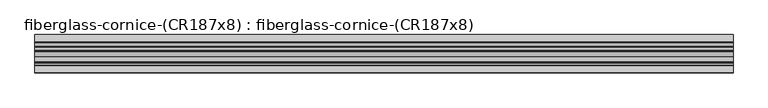
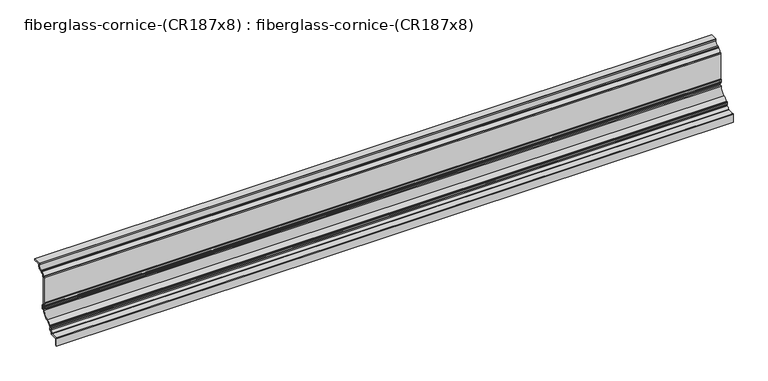
"""IFC4 building model written with IfcOpenShell, lengths in millimetres: furniture geometry, fiberglass-cornice-(CR187x8) : fiberglass-cornice-(CR187x8)."""

from ifc_helpers import new_model, si_unit, point, frame, frame_2d, origin, place, context, project, spatial, polyline, circle_curve, trimmed, segment, composite_curve, outline, extrude, source, transform, mapped, element, save


def fiberglass_cornice_cr187x8_fiberglass_cornice_cr187x8_e62159d1(model_context):
    return source(origin(), model_context, "Body", "SweptSolid", [
        extrude(outline(composite_curve([segment(polyline([(323.1881225, 323.8499904), (287.2471225, 323.8499904)]), True, "CONTINUOUS"), segment(trimmed(circle_curve(frame_2d((287.2471225, 322.2624904)), 1.5875), [point((287.2471225, 323.8499904))], [point((285.6596225, 322.2624904))], True, "CARTESIAN"), True, "CONTINUOUS"), segment(polyline([(285.6596225, 322.2624904), (285.6596225, 315.9735597)]), True, "CONTINUOUS"), segment(trimmed(circle_curve(frame_2d((261.4307026, 318.1913707)), 24.3302126), [point((285.6596225, 315.9735597))], [point((261.9453407, 293.8666016))], False, "CARTESIAN"), True, "CONTINUOUS"), segment(trimmed(circle_curve(frame_2d((261.9789199, 292.2794568)), 1.5875), [point((261.9453407, 293.8666016))], [point((260.3914199, 292.2794568))], True, "CARTESIAN"), True, "CONTINUOUS"), segment(polyline([(260.3914199, 292.2794568), (260.3914199, 288.8908661)]), True, "CONTINUOUS"), segment(trimmed(circle_curve(frame_2d((258.8039199, 288.8908661)), 1.5875), [point((260.3914199, 288.8908661))], [point((258.9202023, 287.3076306))], False, "CARTESIAN"), True, "CONTINUOUS"), segment(trimmed(circle_curve(frame_2d((260.4148615, 266.9572015)), 20.4052437), [point((258.9202023, 287.3076306))], [point((240.0449113, 268.1568274))], True, "CARTESIAN"), True, "CONTINUOUS"), segment(trimmed(circle_curve(frame_2d((238.4601571, 268.2501567)), 1.5875), [point((240.0449113, 268.1568274))], [point((238.4601571, 266.6626567))], False, "CARTESIAN"), True, "CONTINUOUS"), segment(polyline([(238.4601571, 266.6626567), (236.535014, 266.6626567)]), True, "CONTINUOUS"), segment(trimmed(circle_curve(frame_2d((236.5375, 265.0751586)), 1.5875), [point((236.535014, 266.6626567))], [point((234.95, 265.0751586))], True, "CARTESIAN"), True, "CONTINUOUS"), segment(polyline([(234.95, 265.0751586), (234.95, 104.4293859)]), True, "CONTINUOUS"), segment(trimmed(circle_curve(frame_2d((233.3625, 104.4293859)), 1.5875), [point((234.95, 104.4293859))], [point((233.3625, 102.8418859))], False, "CARTESIAN"), True, "CONTINUOUS"), segment(trimmed(circle_curve(frame_2d((233.3625, 101.2543859)), 1.5875), [point((233.3625, 102.8418859))], [point((231.775, 101.2543859))], True, "CARTESIAN"), True, "CONTINUOUS"), segment(polyline([(231.775, 101.2543859), (231.775, 98.0793859)]), True, "CONTINUOUS"), segment(trimmed(circle_curve(frame_2d((233.3625, 98.0793859)), 1.5875), [point((231.775, 98.0793859))], [point((233.3625, 96.4918859))], True, "CARTESIAN"), True, "CONTINUOUS"), segment(trimmed(circle_curve(frame_2d((233.3625, 94.9043859)), 1.5875), [point((233.3625, 96.4918859))], [point((234.95, 94.9043859))], False, "CARTESIAN"), True, "CONTINUOUS"), segment(polyline([(234.95, 94.9043859), (234.95, 91.3502238)]), True, "CONTINUOUS"), segment(trimmed(circle_curve(frame_2d((236.5375, 91.3502238)), 1.5875), [point((234.95, 91.3502238))], [point((236.2765166, 89.7843234))], True, "CARTESIAN"), True, "CONTINUOUS"), segment(polyline([(236.2765166, 89.7843234), (246.0625, 88.187486)]), True, "CONTINUOUS"), segment(trimmed(circle_curve(frame_2d((246.0625, 86.599986)), 1.5875), [point((246.0625, 88.187486))], [point((247.65, 86.599986))], False, "CARTESIAN"), True, "CONTINUOUS"), segment(polyline([(247.65, 86.599986), (247.65, 65.2485822)]), True, "CONTINUOUS"), segment(trimmed(circle_curve(frame_2d((246.0625, 65.2485822)), 1.5875), [point((247.65, 65.2485822))], [point((246.0625, 63.6610822))], False, "CARTESIAN"), True, "CONTINUOUS"), segment(polyline([(246.0625, 63.6610822), (233.3402123, 63.6610822)]), True, "CONTINUOUS"), segment(trimmed(circle_curve(frame_2d((233.3402123, 62.0735822)), 1.5875), [point((233.3402123, 63.6610822))], [point((231.7534725, 62.1227057))], True, "CARTESIAN"), True, "CONTINUOUS"), segment(trimmed(circle_curve(frame_2d((186.4052186, 63.5266314)), 45.3699806), [point((231.7534725, 62.1227057))], [point((197.9343476, 19.6459486))], False, "CARTESIAN"), True, "CONTINUOUS"), segment(trimmed(circle_curve(frame_2d((207.5205111, -18.2009211)), 39.0420295), [point((197.9343476, 19.6459486))], [point((172.8272225, -0.2940566))], True, "CARTESIAN"), True, "CONTINUOUS"), segment(trimmed(circle_curve(frame_2d((171.4165479, 0.4340599)), 1.5875), [point((172.8272225, -0.2940566))], [point((171.4165479, -1.1534401))], False, "CARTESIAN"), True, "CONTINUOUS"), segment(polyline([(171.4165479, -1.1534401), (168.1498897, -1.1534401)]), True, "CONTINUOUS"), segment(trimmed(circle_curve(frame_2d((168.1498897, -2.7409401)), 1.5875), [point((168.1498897, -1.1534401))], [point((166.5623897, -2.7409401))], True, "CARTESIAN"), True, "CONTINUOUS"), segment(polyline([(166.5623897, -2.7409401), (166.5623897, -4.7823404)]), True, "CONTINUOUS"), segment(trimmed(circle_curve(frame_2d((168.1498897, -4.7823404)), 1.5875), [point((166.5623897, -4.7823404))], [point((167.2958202, -6.1205188))], True, "CARTESIAN"), True, "CONTINUOUS"), segment(trimmed(circle_curve(frame_2d((161.558603, -15.1097395)), 10.6640401), [point((167.2958202, -6.1205188))], [point((163.4689039, -25.6012838))], False, "CARTESIAN"), True, "CONTINUOUS"), segment(trimmed(circle_curve(frame_2d((164.4506316, -36.0133999)), 10.4582958), [point((163.4689039, -25.6012838))], [point((154.0453743, -37.0653369))], True, "CARTESIAN"), True, "CONTINUOUS"), segment(trimmed(circle_curve(frame_2d((152.4659252, -37.225014)), 1.5875), [point((154.0453743, -37.0653369))], [point((152.4659252, -38.812514))], False, "CARTESIAN"), True, "CONTINUOUS"), segment(polyline([(152.4659252, -38.812514), (111.125, -38.812514)]), True, "CONTINUOUS"), segment(trimmed(circle_curve(frame_2d((111.125, -41.987514)), 3.175), [point((111.125, -38.812514))], [point((107.95, -41.987514))], True, "CARTESIAN"), True, "CONTINUOUS"), segment(polyline([(107.95, -41.987514), (107.95, -83.262514), (101.6, -83.262514), (101.6, -35.637514)]), True, "CONTINUOUS"), segment(trimmed(circle_curve(frame_2d((104.775, -35.637514)), 3.175), [point((101.6, -35.637514))], [point((104.775, -32.462514))], False, "CARTESIAN"), True, "CONTINUOUS"), segment(polyline([(104.775, -32.462514), (145.6332309, -32.462514)]), True, "CONTINUOUS"), segment(trimmed(circle_curve(frame_2d((145.6332309, -29.287514)), 3.175), [point((145.6332309, -32.462514))], [point((148.6229903, -30.3561409))], True, "CARTESIAN"), True, "CONTINUOUS"), segment(trimmed(circle_curve(frame_2d((164.4506316, -36.0133999)), 16.8082958), [point((148.6229903, -30.3561409))], [point((162.5104944, -19.317452))], False, "CARTESIAN"), True, "CONTINUOUS"), segment(trimmed(circle_curve(frame_2d((161.558603, -15.1097395)), 4.3140401), [point((162.5104944, -19.317452))], [point((162.6120704, -10.9263022))], True, "CARTESIAN"), True, "CONTINUOUS"), segment(trimmed(circle_curve(frame_2d((163.3873897, -7.8474217)), 3.175), [point((162.6120704, -10.9263022))], [point((160.2123897, -7.8474217))], False, "CARTESIAN"), True, "CONTINUOUS"), segment(polyline([(160.2123897, -7.8474217), (160.2123897, 2.0215599)]), True, "CONTINUOUS"), segment(trimmed(circle_curve(frame_2d((163.3873897, 2.0215599)), 3.175), [point((160.2123897, 2.0215599))], [point((163.3873897, 5.1965599))], False, "CARTESIAN"), True, "CONTINUOUS"), segment(polyline([(163.3873897, 5.1965599), (166.8675947, 5.1965599)]), True, "CONTINUOUS"), segment(trimmed(circle_curve(frame_2d((166.8675947, 8.3715599)), 3.175), [point((166.8675947, 5.1965599))], [point((169.5252209, 6.634422))], True, "CARTESIAN"), True, "CONTINUOUS"), segment(trimmed(circle_curve(frame_2d((207.5205111, -18.2009211)), 45.3920295), [point((169.5252209, 6.634422))], [point((196.345885, 25.794125))], False, "CARTESIAN"), True, "CONTINUOUS"), segment(trimmed(circle_curve(frame_2d((186.4052186, 63.5266314)), 39.0199806), [point((196.345885, 25.794125))], [point((225.3049958, 66.5870596))], True, "CARTESIAN"), True, "CONTINUOUS"), segment(trimmed(circle_curve(frame_2d((228.470215, 66.8360822)), 3.175), [point((225.3049958, 66.5870596))], [point((228.470215, 70.0110822))], False, "CARTESIAN"), True, "CONTINUOUS"), segment(polyline([(228.470215, 70.0110822), (238.125, 70.0110822)]), True, "CONTINUOUS"), segment(trimmed(circle_curve(frame_2d((238.125, 73.1860822)), 3.175), [point((238.125, 70.0110822))], [point((241.3, 73.1860822))], True, "CARTESIAN"), True, "CONTINUOUS"), segment(polyline([(241.3, 73.1860822), (241.3, 78.662486)]), True, "CONTINUOUS"), segment(trimmed(circle_curve(frame_2d((238.125, 78.662486)), 3.175), [point((241.3, 78.662486))], [point((238.125, 81.837486))], True, "CARTESIAN"), True, "CONTINUOUS"), segment(polyline([(238.125, 81.837486), (231.775, 83.424986)]), True, "CONTINUOUS"), segment(trimmed(circle_curve(frame_2d((231.775, 86.599986)), 3.175), [point((231.775, 83.424986))], [point((228.6, 86.599986))], False, "CARTESIAN"), True, "CONTINUOUS"), segment(polyline([(228.6, 86.599986), (228.6, 88.5543859)]), True, "CONTINUOUS"), segment(trimmed(circle_curve(frame_2d((227.0125, 88.5543859)), 1.5875), [point((228.6, 88.5543859))], [point((227.0125, 90.1418859))], True, "CARTESIAN"), True, "CONTINUOUS"), segment(trimmed(circle_curve(frame_2d((227.0125, 91.7293859)), 1.5875), [point((227.0125, 90.1418859))], [point((225.425, 91.7293859))], False, "CARTESIAN"), True, "CONTINUOUS"), segment(polyline([(225.425, 91.7293859), (225.425, 107.6043859)]), True, "CONTINUOUS"), segment(trimmed(circle_curve(frame_2d((227.0125, 107.6043859)), 1.5875), [point((225.425, 107.6043859))], [point((227.0125, 109.1918859))], False, "CARTESIAN"), True, "CONTINUOUS"), segment(trimmed(circle_curve(frame_2d((227.0125, 110.7793859)), 1.5875), [point((227.0125, 109.1918859))], [point((228.6, 110.7793859))], True, "CARTESIAN"), True, "CONTINUOUS"), segment(polyline([(228.6, 110.7793859), (228.6, 269.8376635)]), True, "CONTINUOUS"), segment(trimmed(circle_curve(frame_2d((231.775, 269.8376635)), 3.175), [point((228.6, 269.8376635))], [point((231.775, 273.0126635))], False, "CARTESIAN"), True, "CONTINUOUS"), segment(trimmed(circle_curve(frame_2d((231.9137996, 276.3386943)), 3.3289258), [point((231.775, 273.0126635))], [point((232.5559311, 273.0722875))], True, "CARTESIAN"), True, "CONTINUOUS"), segment(trimmed(circle_curve(frame_2d((231.9434911, 276.1876594)), 3.175), [point((232.5559311, 273.0722875))], [point((234.9637321, 275.2084919))], True, "CARTESIAN"), True, "CONTINUOUS"), segment(trimmed(circle_curve(frame_2d((260.4148458, 266.9571962)), 26.7552437), [point((234.9637321, 275.2084919))], [point((251.8793168, 292.3144005))], False, "CARTESIAN"), True, "CONTINUOUS"), segment(trimmed(circle_curve(frame_2d((250.8664199, 295.3234975)), 3.175), [point((251.8793168, 292.3144005))], [point((254.0414199, 295.3234975))], True, "CARTESIAN"), True, "CONTINUOUS"), segment(polyline([(254.0414199, 295.3234975), (254.0414199, 297.4601662)]), True, "CONTINUOUS"), segment(trimmed(circle_curve(frame_2d((257.2164199, 297.4601662)), 3.175), [point((254.0414199, 297.4601662))], [point((257.8489045, 300.5715306))], False, "CARTESIAN"), True, "CONTINUOUS"), segment(trimmed(circle_curve(frame_2d((261.4307026, 318.1913707)), 17.9802126), [point((257.8489045, 300.5715306))], [point((279.3096225, 320.0972218))], True, "CARTESIAN"), True, "CONTINUOUS"), segment(polyline([(279.3096225, 320.0972218), (279.3096225, 328.6124904)]), True, "CONTINUOUS"), segment(trimmed(circle_curve(frame_2d((280.8971225, 328.6124904)), 1.5875), [point((279.3096225, 328.6124904))], [point((280.8971225, 330.1999904))], False, "CARTESIAN"), True, "CONTINUOUS"), segment(polyline([(280.8971225, 330.1999904), (323.1881225, 330.1999904), (323.1881225, 323.8499904)]), True, "CONTINUOUS")], self_intersect=False)), frame((-2012.9498044, 0.0, 0.0), z_axis=(1.0, 0.0, 0.0), x_axis=(0.0, 1.0, 0.0)), (0.0, 0.0, 1.0), 4025.8996087),
    ])


if __name__ == "__main__":
    model = new_model("IFC4")
    model_context = context("Model", 3, world=origin())
    ifc_project = project(units=[si_unit("LENGTHUNIT", "METRE", prefix="MILLI")], contexts=[model_context])
    site = spatial("IfcSite", under=ifc_project)
    building = spatial("IfcBuilding", under=site)
    placement = place(None, origin())
    fiberglass_cornice_cr187x8_fiberglass_cornice_cr187x8_shape = fiberglass_cornice_cr187x8_fiberglass_cornice_cr187x8_e62159d1(model_context)
    element("IfcFurniture", 1, ObjectType="fiberglass-cornice-(CR187x8) : fiberglass-cornice-(CR187x8)", at=placement, inside=building, context=model_context, shape_type="MappedRepresentation", body=[
        mapped(fiberglass_cornice_cr187x8_fiberglass_cornice_cr187x8_shape, transform((0.0, 0.0, 0.0), x_axis=(1.0, 0.0, 0.0), y_axis=(0.0, 1.0, 0.0), z_axis=(0.0, 0.0, 1.0))),
    ])
    save(model, "model.ifc")
